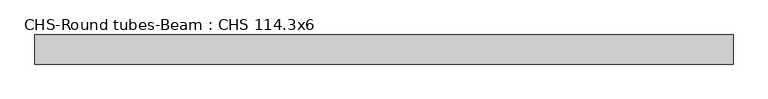
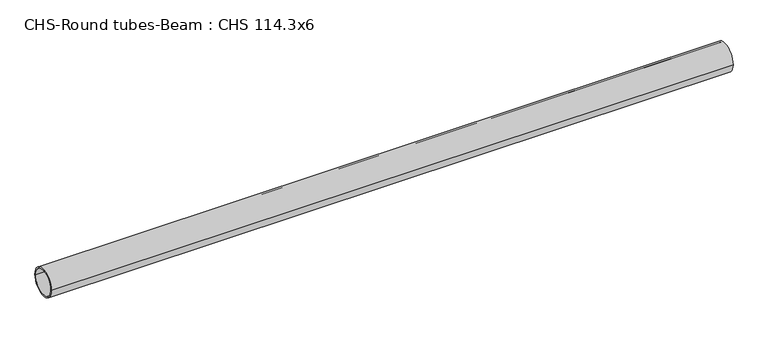
"""IFC4 building model written with IfcOpenShell, lengths in millimetres: beam geometry, CHS-Round tubes-Beam : CHS 114.3x6."""

import ifcopenshell
import ifcopenshell.guid

model = None  # the IFC model being written
_history = None  # IfcOwnerHistory: only IFC2X3 demands one
_inside = {}  # id of a spatial element -> (the spatial element, [elements in it])
_under = {}  # id of a project, library or spatial element -> (it, [spatial elements below it])
_declared = {}  # id of a project -> (the project, [libraries it declares])
_typed = {}  # id of a type object -> (the type object, [elements of that type])
_made_of = {}  # id of a material, layer set ... -> (it, [elements and type objects made of it])


def new_model(schema):
    """Start an empty IFC model of exactly this schema.

    Asked for "IFC4X3", IfcOpenShell would pick the latest addendum, in which some entities
    have other attributes; the version numbers below select the first issue.
    IFC2X3 requires an IfcOwnerHistory on every rooted entity: one is made here for all.
    """
    global model, _history
    if schema == "IFC4X3":
        model = ifcopenshell.file(schema_version=(4, 3, 0, 0))
    else:
        model = ifcopenshell.file(schema=schema)
    _inside.clear()
    _under.clear()
    _declared.clear()
    _typed.clear()
    _made_of.clear()
    _history = None
    if model.schema == "IFC2X3":
        org = make("IfcOrganization", Name="unknown")
        user = make(
            "IfcPersonAndOrganization",
            ThePerson=make("IfcPerson", FamilyName="unknown"),
            TheOrganization=org,
        )
        app = make(
            "IfcApplication",
            ApplicationDeveloper=org,
            Version="unknown",
            ApplicationFullName="unknown",
            ApplicationIdentifier="unknown",
        )
        _history = make(
            "IfcOwnerHistory",
            OwningUser=user,
            OwningApplication=app,
            ChangeAction="ADDED",
            CreationDate=0,
        )
    return model


def make(cls, **values):
    """One entity of the class cls with the attributes given. An attribute that is None is left unset."""
    return model.create_entity(
        cls, **{name: value for name, value in values.items() if value is not None}
    )


def rooted(cls, **values):
    """An entity with a GlobalId (a new one), such as an element, a storey or a relation."""
    return make(cls, GlobalId=ifcopenshell.guid.new(), OwnerHistory=_history, **values)


def si_unit(unit_type, name, prefix=None):
    """IfcSIUnit, for example si_unit("LENGTHUNIT", "METRE", prefix="MILLI")."""
    return make("IfcSIUnit", UnitType=unit_type, Prefix=prefix, Name=name)


def assignment(units):
    """IfcUnitAssignment: the units of a project."""
    return None if units is None else make("IfcUnitAssignment", Units=units)


def point(xyz):
    """IfcCartesianPoint."""
    return None if xyz is None else make("IfcCartesianPoint", Coordinates=xyz)


def direction(xyz):
    """IfcDirection."""
    return None if xyz is None else make("IfcDirection", DirectionRatios=xyz)


def frame(location, z_axis=None, x_axis=None):
    """IfcAxis2Placement3D, a coordinate frame: its origin and axes. An axis left out is left unset."""
    return make(
        "IfcAxis2Placement3D",
        Location=point(location),
        Axis=direction(z_axis),
        RefDirection=direction(x_axis),
    )


def frame_2d(location, x_axis=None):
    """IfcAxis2Placement2D, a coordinate frame in the plane: its origin and x axis."""
    return make(
        "IfcAxis2Placement2D", Location=point(location), RefDirection=direction(x_axis)
    )


def origin():
    """The frame at (0, 0, 0) with its axes left unset."""
    return frame((0.0, 0.0, 0.0))


def origin_2d():
    """The frame at (0, 0) in the plane with its x axis left unset."""
    return frame_2d((0.0, 0.0))


def place(relative_to, where):
    """IfcLocalPlacement: puts the frame where relative to a parent placement (None: the world)."""
    return make(
        "IfcLocalPlacement", PlacementRelTo=relative_to, RelativePlacement=where
    )


def context(
    kind, dimensions, precision=None, world=None, true_north=None, identifier=None
):
    """IfcGeometricRepresentationContext, for example the 3D "Model" context."""
    return make(
        "IfcGeometricRepresentationContext",
        ContextIdentifier=identifier,
        ContextType=kind,
        CoordinateSpaceDimension=dimensions,
        Precision=precision,
        WorldCoordinateSystem=world,
        TrueNorth=true_north,
    )


def project(units=None, contexts=None):
    """IfcProject with its units and contexts."""
    return rooted(
        "IfcProject",
        Name="project",
        RepresentationContexts=contexts,
        UnitsInContext=assignment(units),
    )


def spatial(cls, under=None, at=None, **own):
    """A site, building, storey or space (cls), placed at a placement, below another one or the project."""
    s = rooted(cls, ObjectPlacement=at, **own)
    if under is not None:
        _under.setdefault(under.id(), (under, []))[1].append(s)
    return s


def circle_curve(where, radius):
    """IfcCircle in the frame where."""
    return make("IfcCircle", Position=where, Radius=radius)


def trimmed(basis, trim1, trim2, sense, master):
    """IfcTrimmedCurve: the piece of a basis curve between two trims."""
    return make(
        "IfcTrimmedCurve",
        BasisCurve=basis,
        Trim1=trim1,
        Trim2=trim2,
        SenseAgreement=sense,
        MasterRepresentation=master,
    )


def segment(curve, same_sense, transition):
    """IfcCompositeCurveSegment."""
    return make(
        "IfcCompositeCurveSegment",
        Transition=transition,
        SameSense=same_sense,
        ParentCurve=curve,
    )


def composite_curve(segments, self_intersect=None):
    """IfcCompositeCurve: segments joined end to end."""
    return make("IfcCompositeCurve", Segments=segments, SelfIntersect=self_intersect)


def outline(outer, holes=None, kind="AREA"):
    """IfcArbitraryClosedProfileDef: a profile drawn as a closed curve; with holes, ...WithVoids."""
    if holes is None:
        return make("IfcArbitraryClosedProfileDef", ProfileType=kind, OuterCurve=outer)
    return make(
        "IfcArbitraryProfileDefWithVoids",
        ProfileType=kind,
        OuterCurve=outer,
        InnerCurves=holes,
    )


def extrude(swept, where, along, depth):
    """IfcExtrudedAreaSolid: the profile swept, set in the frame where, extruded along a direction by depth."""
    return make(
        "IfcExtrudedAreaSolid",
        SweptArea=swept,
        Position=where,
        ExtrudedDirection=direction(along),
        Depth=depth,
    )


def shape(context_of_items, identifier, shape_type, items):
    """IfcShapeRepresentation: the items that make up one representation, for example the "Body"."""
    return make(
        "IfcShapeRepresentation",
        ContextOfItems=context_of_items,
        RepresentationIdentifier=identifier,
        RepresentationType=shape_type,
        Items=items,
    )


def source(mapping_origin, context_of_items, identifier, shape_type, items):
    """IfcRepresentationMap: a shape defined once, which mapped items show again and again."""
    return make(
        "IfcRepresentationMap",
        MappingOrigin=mapping_origin,
        MappedRepresentation=shape(context_of_items, identifier, shape_type, items),
    )


def transform(
    local_origin,
    x_axis=None,
    y_axis=None,
    z_axis=None,
    scale=None,
    scale2=None,
    scale3=None,
    uniform=True,
):
    """IfcCartesianTransformationOperator3D, or its non-uniform kind. x_axis, y_axis, z_axis: its Axis1, 2, 3."""
    if uniform:
        return make(
            "IfcCartesianTransformationOperator3D",
            Axis1=direction(x_axis),
            Axis2=direction(y_axis),
            LocalOrigin=point(local_origin),
            Scale=scale,
            Axis3=direction(z_axis),
        )
    return make(
        "IfcCartesianTransformationOperator3DnonUniform",
        Axis1=direction(x_axis),
        Axis2=direction(y_axis),
        LocalOrigin=point(local_origin),
        Scale=scale,
        Axis3=direction(z_axis),
        Scale2=scale2,
        Scale3=scale3,
    )


def mapped(mapping_source, mapping_target):
    """IfcMappedItem: shows the shape of a source again, moved by a transform."""
    return make(
        "IfcMappedItem", MappingSource=mapping_source, MappingTarget=mapping_target
    )


def made_of(thing, what):
    """Note that an element or type object is made of a material, layer set ...; save() writes the relation."""
    if what is not None:
        _made_of.setdefault(what.id(), (what, []))[1].append(thing)
    return thing


def element(
    cls,
    number,
    at=None,
    inside=None,
    cuts=None,
    type_object=None,
    material=None,
    context=None,
    identifier="Body",
    shape_type=None,
    held_by="IfcProductDefinitionShape",
    body=None,
    shapes=None,
    **own,
):
    """One element of the class cls, such as IfcWall. Its Tag is "e" and its number.

    at: its placement. inside: the storey or other place that contains it. cuts: it is an
    opening in that element (IfcRelVoidsElement). A single representation is given by context,
    identifier, shape_type and body (its items); several are given by shapes. held_by: the class
    of the entity that holds the representations. save() writes the other relations.
    """
    e = rooted(cls, Tag="e%d" % number, ObjectPlacement=at, **own)
    if body is not None:
        shapes = [shape(context, identifier, shape_type, body)]
    if shapes is not None:
        e.Representation = make(held_by, Representations=shapes)
    if inside is not None:
        _inside.setdefault(inside.id(), (inside, []))[1].append(e)
    if cuts is not None:
        rooted(
            "IfcRelVoidsElement", RelatingBuildingElement=cuts, RelatedOpeningElement=e
        )
    if type_object is not None:
        _typed.setdefault(type_object.id(), (type_object, []))[1].append(e)
    return made_of(e, material)


def aggregate(whole, parts):
    """IfcRelAggregates: a whole, such as a stair, and the parts it consists of."""
    return rooted("IfcRelAggregates", RelatingObject=whole, RelatedObjects=parts)


def save(model, path):
    """Write the relations noted so far, then the file.

    IfcRelAggregates (storeys below a building ...), IfcRelContainedInSpatialStructure (elements
    in a storey), IfcRelDefinesByType, IfcRelAssociatesMaterial and IfcRelDeclares: one each for
    every whole, place, type object, material and project.
    """
    for whole, parts in _under.values():
        aggregate(whole, parts)
    for where, things in _inside.values():
        rooted(
            "IfcRelContainedInSpatialStructure",
            RelatedElements=things,
            RelatingStructure=where,
        )
    for kind, things in _typed.values():
        rooted("IfcRelDefinesByType", RelatedObjects=things, RelatingType=kind)
    for what, things in _made_of.values():
        rooted("IfcRelAssociatesMaterial", RelatedObjects=things, RelatingMaterial=what)
    for by, libraries in _declared.values():
        rooted("IfcRelDeclares", RelatingContext=by, RelatedDefinitions=libraries)
    model.write(path)


def chs_round_tubes_beam_chs_114_3x6_959c4c01(model_context):
    return source(origin(), model_context, "Body", "SweptSolid", [
        extrude(outline(composite_curve([segment(trimmed(circle_curve(origin_2d(), 57.15), [point((57.15, 0.0))], [point((-57.15, 0.0))], False, "CARTESIAN"), True, "CONTINUOUS"), segment(trimmed(circle_curve(origin_2d(), 57.15), [point((-57.15, 0.0))], [point((57.15, 0.0))], False, "CARTESIAN"), True, "CONTINUOUS")], self_intersect=False), holes=[composite_curve([segment(trimmed(circle_curve(origin_2d(), 51.15), [point((51.15, 0.0))], [point((-51.15, 0.0))], True, "CARTESIAN"), True, "CONTINUOUS"), segment(trimmed(circle_curve(origin_2d(), 51.15), [point((-51.15, 0.0))], [point((51.15, 0.0))], True, "CARTESIAN"), True, "CONTINUOUS")], self_intersect=False)]), frame((-1327.1607379, 0.0, 0.0), z_axis=(1.0, 0.0, 0.0), x_axis=(0.0, 1.0, 0.0)), (0.0, 0.0, 1.0), 2742.673168),
    ])


if __name__ == "__main__":
    model = new_model("IFC4")
    model_context = context("Model", 3, world=origin())
    ifc_project = project(units=[si_unit("LENGTHUNIT", "METRE", prefix="MILLI")], contexts=[model_context])
    site = spatial("IfcSite", under=ifc_project)
    building = spatial("IfcBuilding", under=site)
    placement = place(None, origin())
    chs_round_tubes_beam_chs_114_3x6_shape = chs_round_tubes_beam_chs_114_3x6_959c4c01(model_context)
    element("IfcBeam", 1, ObjectType="CHS-Round tubes-Beam : CHS 114.3x6", at=placement, inside=building, context=model_context, shape_type="MappedRepresentation", body=[
        mapped(chs_round_tubes_beam_chs_114_3x6_shape, transform((0.0, 0.0, 0.0), x_axis=(1.0, 0.0, 0.0), y_axis=(0.0, 1.0, 0.0), z_axis=(0.0, 0.0, 1.0))),
    ])
    save(model, "model.ifc")
